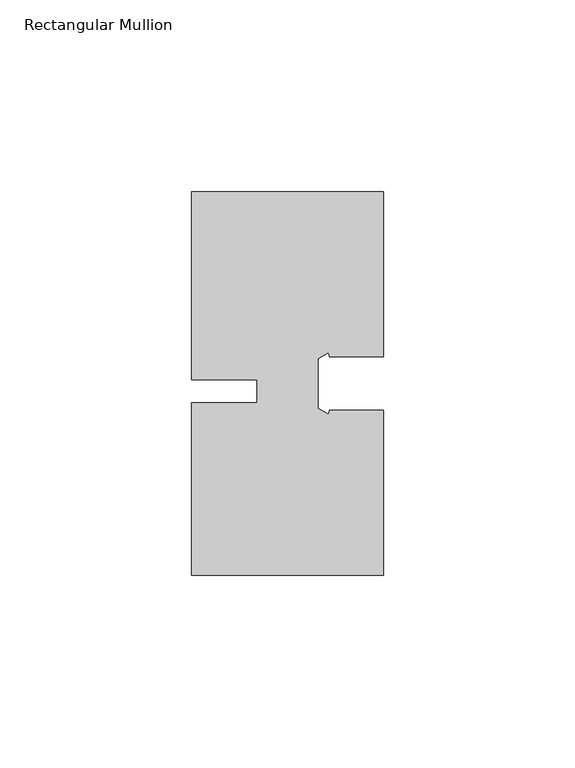
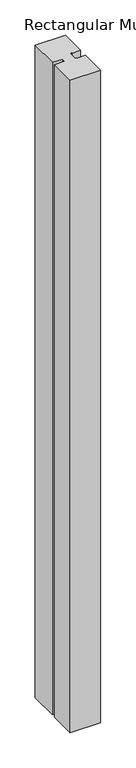
"""IFC4 building model written with IfcOpenShell, lengths in millimetres: member geometry, Rectangular Mullion."""

from ifc_helpers import new_model, si_unit, frame, origin, place, context, project, spatial, polyline, outline, extrude, source, transform, mapped, element, save


def rectangular_mullion_6c9b4089(model_context):
    return source(origin(), model_context, "Body", "SweptSolid", [
        extrude(outline(polyline([(-8.0004617, -3.0000086), (-8.0004589, 3.0000086), (-24.9999972, 3.0000166), (-24.9999743, 51.9999993), (24.9999791, 51.9999711), (24.9999791, 8.9999556), (11.0000028, 8.9999556), (10.7320523, 9.9999622), (8.0, 8.4226128), (8.0, -4.4227193), (10.7320448, -6.0000678), (11.0000008, -5.0000444), (24.9999791, -5.0000444), (24.9999791, -48.000024), (-25.0000209, -48.0000007), (-25.0, -3.0000007), (-8.0004617, -3.0000086)])), frame((0.0, 0.0, -1130.1124255), z_axis=(0.0, 0.0, 1.0), x_axis=(1.0, 0.0, 0.0)), (0.0, 0.0, 1.0), 1130.1124255),
    ])


if __name__ == "__main__":
    model = new_model("IFC4")
    model_context = context("Model", 3, world=origin())
    ifc_project = project(units=[si_unit("LENGTHUNIT", "METRE", prefix="MILLI")], contexts=[model_context])
    site = spatial("IfcSite", under=ifc_project)
    building = spatial("IfcBuilding", under=site)
    placement = place(None, origin())
    rectangular_mullion_shape = rectangular_mullion_6c9b4089(model_context)
    element("IfcMember", 1, ObjectType="Rectangular Mullion", at=placement, inside=building, context=model_context, shape_type="MappedRepresentation", body=[
        mapped(rectangular_mullion_shape, transform((0.0, 0.0, 0.0), x_axis=(1.0, 0.0, 0.0), y_axis=(0.0, 1.0, 0.0), z_axis=(0.0, 0.0, 1.0))),
    ])
    save(model, "model.ifc")
